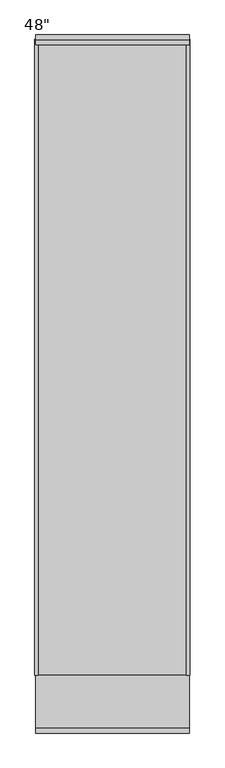
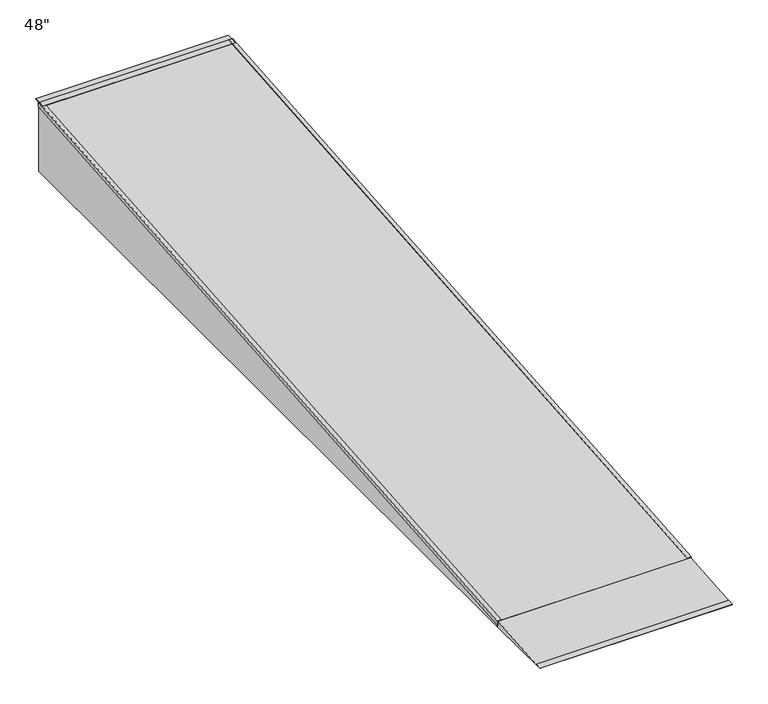
"""IFC4 building model written with IfcOpenShell, lengths in millimetres: proxy geometry."""

from ifc_helpers import new_model, si_unit, frame, origin, place, context, project, spatial, polyline, outline, extrude, faceted_brep, source, transform, mapped, element, save


def proxy_9ae2ef94(model_context):
    return source(origin(), model_context, "Body", "SolidModel", [
        faceted_brep([(609.6, 2743.2, -457.2), (611.98125, 2743.2, -457.2), (611.98125, -2282.825, -457.2), (609.6, -2282.825, -457.2), (611.98125, 2743.2, 0.0), (611.98125, 2743.2, -23.0985379), (609.6, 2743.2, 0.0), (588.9625, 2743.2, 0.0), (588.9625, 2743.002248, 2.3730246), (614.3625, 2743.002248, 2.3730246), (614.3625, 2745.1116031, -22.9392377), (611.98125, 2745.1116031, -22.9392377), (611.98125, -2284.0883969, -442.0392377), (614.3625, -2284.0883969, -442.0392377), (614.3625, -2286.197752, -416.7269754), (588.9625, -2286.197752, -416.7269754), (588.9625, -2286.0, -419.1), (609.6, -2286.0, -419.1)], [[[0, 1, 2, 3]], [[4, 5, 1, 0, 6]], [[6, 7, 8, 9, 10, 11, 4]], [[12, 13, 14, 15, 16, 17, 3, 2]], [[17, 6, 0, 3]], [[7, 6, 17, 16]], [[8, 7, 16, 15]], [[9, 8, 15, 14]], [[10, 9, 14, 13]], [[11, 10, 13, 12, 5]], [[12, 2, 1, 5]], [[5, 4, 11]]]),
        faceted_brep([(-611.98125, 2745.1116031, -22.9392377), (-614.3625, 2745.1116031, -22.9392377), (-614.3625, 2743.002248, 2.3730246), (-588.9625, 2743.002248, 2.3730246), (-588.9625, 2743.2, 0.0), (-609.6, 2743.2, 0.0), (-611.98125, 2743.2, 0.0), (-609.6, -2286.0, -419.1), (-588.9625, -2286.0, -419.1), (-588.9625, -2286.197752, -416.7269754), (-614.3625, -2286.197752, -416.7269754), (-614.3625, -2284.0883969, -442.0392377), (-611.98125, -2284.0883969, -442.0392377), (-611.98125, -2282.825, -457.2), (-609.6, -2282.825, -457.2), (-611.98125, 2743.2, -23.0985379), (-611.98125, 2743.2, -457.2), (-609.6, 2743.2, -457.2)], [[[0, 1, 2, 3, 4, 5, 6]], [[7, 8, 9, 10, 11, 12, 13, 14]], [[13, 12, 15, 16]], [[1, 0, 15, 12, 11]], [[2, 1, 11, 10]], [[3, 2, 10, 9]], [[4, 3, 9, 8]], [[5, 4, 8, 7]], [[5, 7, 14, 17]], [[6, 15, 0]], [[16, 17, 14, 13]], [[15, 6, 5, 17, 16]]]),
        extrude(outline(polyline([(-2286.0, -457.2), (-2743.2, -457.2), (-2743.2, -454.025), (-2705.2316066, -450.8609672), (-2705.2316066, -454.0359672), (-2286.0, -419.1), (-2286.0, -457.2)])), frame((-609.6, 0.0, 0.0), z_axis=(1.0, 0.0, 0.0), x_axis=(0.0, 1.0, 0.0)), (0.0, 0.0, 1.0), 1219.2),
        extrude(outline(polyline([(2743.2, -38.2320628), (-2282.8359672, -457.0683934), (-2286.0, -419.1), (2743.2, 0.0), (2743.2, -38.2320628)])), frame((-609.6, 0.0, 0.0), z_axis=(1.0, 0.0, 0.0), x_axis=(0.0, 1.0, 0.0)), (0.0, 0.0, 1.0), 1219.2),
        extrude(outline(polyline([(2705.2316066, -3.1640328), (2704.9679372, 0.0), (2743.0679372, 3.175), (2781.3, 3.175), (2781.3, 0.0), (2743.2, 0.0), (2705.2316066, -3.1640328)])), frame((-609.6, 0.0, 0.0), z_axis=(1.0, 0.0, 0.0), x_axis=(0.0, 1.0, 0.0)), (0.0, 0.0, 1.0), 1219.2),
    ])


if __name__ == "__main__":
    model = new_model("IFC4")
    model_context = context("Model", 3, world=origin())
    ifc_project = project(units=[si_unit("LENGTHUNIT", "METRE", prefix="MILLI")], contexts=[model_context])
    site = spatial("IfcSite", under=ifc_project)
    building = spatial("IfcBuilding", under=site)
    placement = place(None, origin())
    proxy_shape = proxy_9ae2ef94(model_context)
    element("IfcBuildingElementProxy", 1, Name="48\"", ObjectType="48\"", at=placement, inside=building, context=model_context, shape_type="MappedRepresentation", body=[
        mapped(proxy_shape, transform((0.0, 0.0, 0.0), x_axis=(1.0, 0.0, 0.0), y_axis=(0.0, 1.0, 0.0), z_axis=(0.0, 0.0, 1.0))),
    ])
    save(model, "model.ifc")
